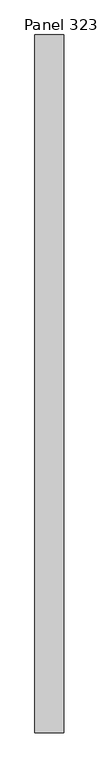
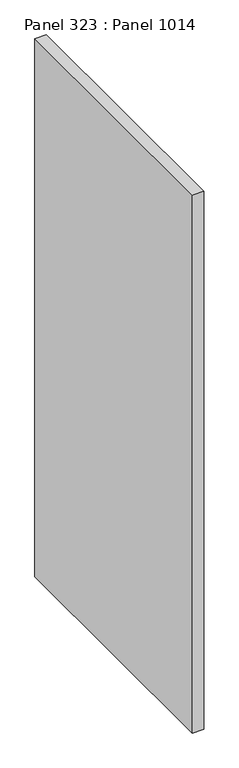
"""IFC4 building model written with IfcOpenShell, lengths in millimetres: proxy geometry, Panel 323 : Panel 1014."""

from ifc_helpers import new_model, si_unit, frame, origin, place, context, project, spatial, polyline, outline, extrude, source, transform, mapped, element, save


def panel_323_panel_1014_96948e80(model_context):
    return source(origin(), model_context, "Body", "SweptSolid", [
        extrude(outline(polyline([(39817.4759365, 333205.7854629), (39767.4758944, 333205.7854625), (39767.4759375, 334405.7854595), (39817.4759796, 334405.7854598), (39817.4759365, 333205.7854629)])), frame((0.0, 0.0, 34575.0), z_axis=(0.0, 0.0, 1.0), x_axis=(1.0, 0.0, 0.0)), (0.0, 0.0, 1.0), 2500.0),
    ])


if __name__ == "__main__":
    model = new_model("IFC4")
    model_context = context("Model", 3, world=origin())
    ifc_project = project(units=[si_unit("LENGTHUNIT", "METRE", prefix="MILLI")], contexts=[model_context])
    site = spatial("IfcSite", under=ifc_project)
    building = spatial("IfcBuilding", under=site)
    placement = place(None, origin())
    panel_323_panel_1014_shape = panel_323_panel_1014_96948e80(model_context)
    element("IfcBuildingElementProxy", 1, Name="Panel 323 : Panel 1014", ObjectType="Panel 323 : Panel 1014", at=placement, inside=building, context=model_context, shape_type="MappedRepresentation", body=[
        mapped(panel_323_panel_1014_shape, transform((0.0, 0.0, 0.0), x_axis=(1.0, 0.0, 0.0), y_axis=(0.0, 1.0, 0.0), z_axis=(0.0, 0.0, 1.0))),
    ])
    save(model, "model.ifc")
